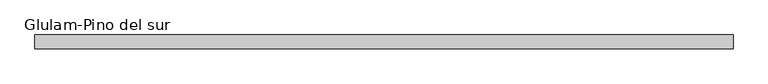
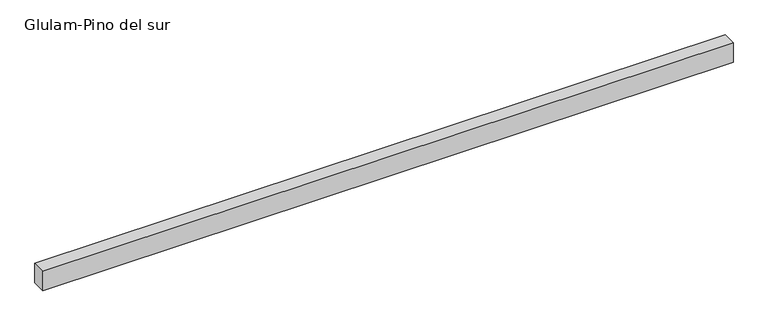
"""IFC4 building model written with IfcOpenShell, lengths in millimetres: beam geometry, Glulam-Pino del sur."""

from ifc_helpers import new_model, si_unit, frame, origin, place, context, project, spatial, polyline, outline, extrude, source, transform, mapped, element, save


def glulam_pino_del_sur_3e01d210(model_context):
    return source(origin(), model_context, "Body", "SweptSolid", [
        extrude(outline(polyline([(5199.5439597, 100.0), (5199.5439597, -100.0), (-4883.7435006, -100.0), (-4883.7435006, 100.0), (5199.5439597, 100.0)])), frame((0.0, 0.0, -150.0), z_axis=(0.0, 0.0, 1.0), x_axis=(1.0, 0.0, 0.0)), (0.0, 0.0, 1.0), 300.0),
    ])


if __name__ == "__main__":
    model = new_model("IFC4")
    model_context = context("Model", 3, world=origin())
    ifc_project = project(units=[si_unit("LENGTHUNIT", "METRE", prefix="MILLI")], contexts=[model_context])
    site = spatial("IfcSite", under=ifc_project)
    building = spatial("IfcBuilding", under=site)
    placement = place(None, origin())
    glulam_pino_del_sur_shape = glulam_pino_del_sur_3e01d210(model_context)
    element("IfcBeam", 1, ObjectType="Glulam-Pino del sur", at=placement, inside=building, context=model_context, shape_type="MappedRepresentation", body=[
        mapped(glulam_pino_del_sur_shape, transform((0.0, 0.0, 0.0), x_axis=(1.0, 0.0, 0.0), y_axis=(0.0, 1.0, 0.0), z_axis=(0.0, 0.0, 1.0))),
    ])
    save(model, "model.ifc")
